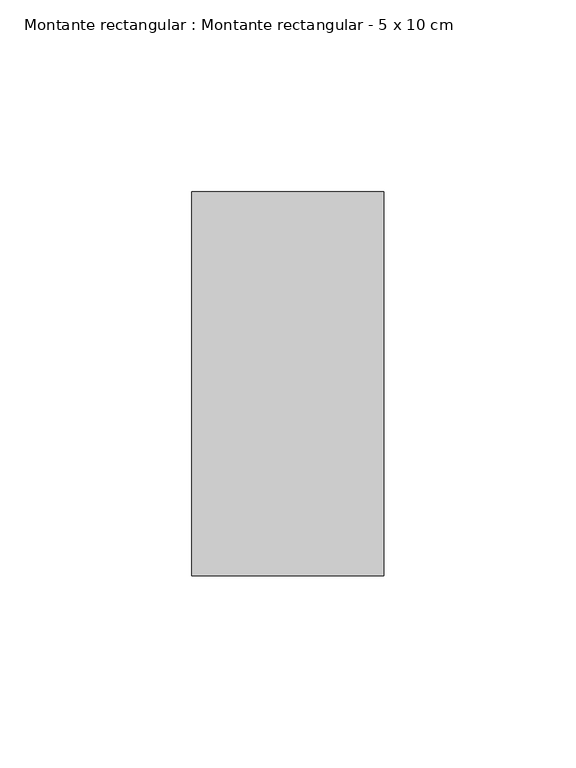
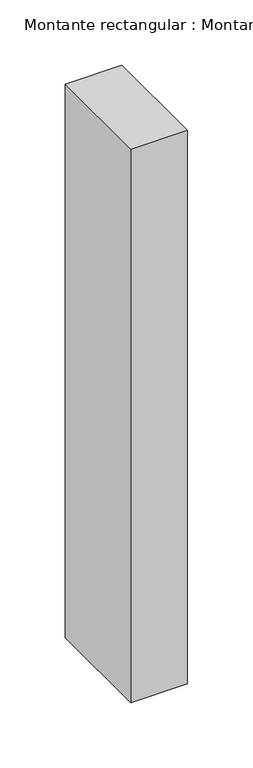
"""IFC4 building model written with IfcOpenShell, lengths in millimetres: member geometry, Montante rectangular : Montante rectangular - 5 x 10 cm."""

from ifc_helpers import new_model, si_unit, frame, origin, place, context, project, spatial, polyline, outline, extrude, source, transform, mapped, element, save


def montante_rectangular_montante_rectangular_5_x_10_cm_18d547c8(model_context):
    return source(origin(), model_context, "Body", "SweptSolid", [
        extrude(outline(polyline([(-50.0, 50.0), (0.0, 50.0), (0.0, -50.0), (-50.0, -50.0), (-50.0, 50.0)])), frame((0.0, 0.0, -517.0), z_axis=(0.0, 0.0, 1.0), x_axis=(1.0, 0.0, 0.0)), (0.0, 0.0, 1.0), 517.0),
    ])


if __name__ == "__main__":
    model = new_model("IFC4")
    model_context = context("Model", 3, world=origin())
    ifc_project = project(units=[si_unit("LENGTHUNIT", "METRE", prefix="MILLI")], contexts=[model_context])
    site = spatial("IfcSite", under=ifc_project)
    building = spatial("IfcBuilding", under=site)
    placement = place(None, origin())
    montante_rectangular_montante_rectangular_5_x_10_cm_shape = montante_rectangular_montante_rectangular_5_x_10_cm_18d547c8(model_context)
    element("IfcMember", 1, ObjectType="Montante rectangular : Montante rectangular - 5 x 10 cm", at=placement, inside=building, context=model_context, shape_type="MappedRepresentation", body=[
        mapped(montante_rectangular_montante_rectangular_5_x_10_cm_shape, transform((0.0, 0.0, 0.0), x_axis=(1.0, 0.0, 0.0), y_axis=(0.0, 1.0, 0.0), z_axis=(0.0, 0.0, 1.0))),
    ])
    save(model, "model.ifc")
